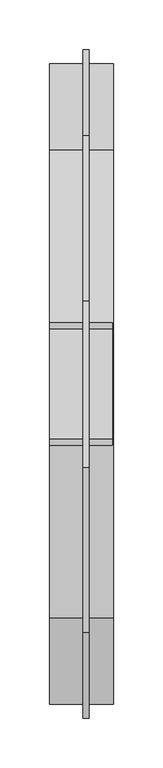
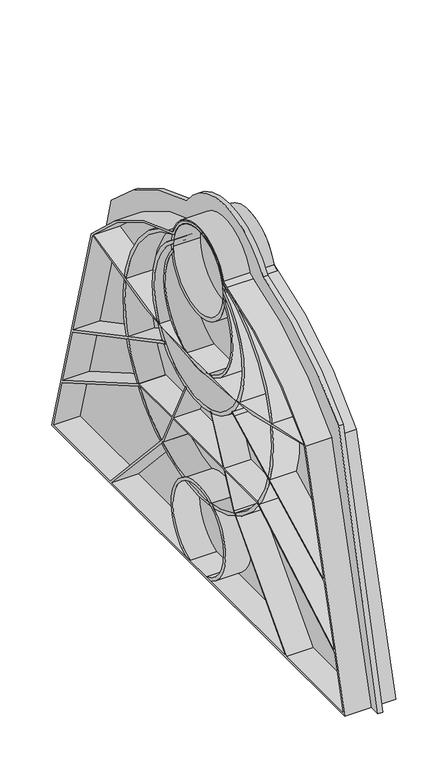
"""IFC4 building model written with IfcOpenShell, lengths in millimetres: proxy geometry."""

import ifcopenshell
import ifcopenshell.guid

model = None  # the IFC model being written
_history = None  # IfcOwnerHistory: only IFC2X3 demands one
_inside = {}  # id of a spatial element -> (the spatial element, [elements in it])
_under = {}  # id of a project, library or spatial element -> (it, [spatial elements below it])
_declared = {}  # id of a project -> (the project, [libraries it declares])
_typed = {}  # id of a type object -> (the type object, [elements of that type])
_made_of = {}  # id of a material, layer set ... -> (it, [elements and type objects made of it])


def new_model(schema):
    """Start an empty IFC model of exactly this schema.

    Asked for "IFC4X3", IfcOpenShell would pick the latest addendum, in which some entities
    have other attributes; the version numbers below select the first issue.
    IFC2X3 requires an IfcOwnerHistory on every rooted entity: one is made here for all.
    """
    global model, _history
    if schema == "IFC4X3":
        model = ifcopenshell.file(schema_version=(4, 3, 0, 0))
    else:
        model = ifcopenshell.file(schema=schema)
    _inside.clear()
    _under.clear()
    _declared.clear()
    _typed.clear()
    _made_of.clear()
    _history = None
    if model.schema == "IFC2X3":
        org = make("IfcOrganization", Name="unknown")
        user = make(
            "IfcPersonAndOrganization",
            ThePerson=make("IfcPerson", FamilyName="unknown"),
            TheOrganization=org,
        )
        app = make(
            "IfcApplication",
            ApplicationDeveloper=org,
            Version="unknown",
            ApplicationFullName="unknown",
            ApplicationIdentifier="unknown",
        )
        _history = make(
            "IfcOwnerHistory",
            OwningUser=user,
            OwningApplication=app,
            ChangeAction="ADDED",
            CreationDate=0,
        )
    return model


def make(cls, **values):
    """One entity of the class cls with the attributes given. An attribute that is None is left unset."""
    return model.create_entity(
        cls, **{name: value for name, value in values.items() if value is not None}
    )


def rooted(cls, **values):
    """An entity with a GlobalId (a new one), such as an element, a storey or a relation."""
    return make(cls, GlobalId=ifcopenshell.guid.new(), OwnerHistory=_history, **values)


def si_unit(unit_type, name, prefix=None):
    """IfcSIUnit, for example si_unit("LENGTHUNIT", "METRE", prefix="MILLI")."""
    return make("IfcSIUnit", UnitType=unit_type, Prefix=prefix, Name=name)


def assignment(units):
    """IfcUnitAssignment: the units of a project."""
    return None if units is None else make("IfcUnitAssignment", Units=units)


def point(xyz):
    """IfcCartesianPoint."""
    return None if xyz is None else make("IfcCartesianPoint", Coordinates=xyz)


def direction(xyz):
    """IfcDirection."""
    return None if xyz is None else make("IfcDirection", DirectionRatios=xyz)


def frame(location, z_axis=None, x_axis=None):
    """IfcAxis2Placement3D, a coordinate frame: its origin and axes. An axis left out is left unset."""
    return make(
        "IfcAxis2Placement3D",
        Location=point(location),
        Axis=direction(z_axis),
        RefDirection=direction(x_axis),
    )


def frame_2d(location, x_axis=None):
    """IfcAxis2Placement2D, a coordinate frame in the plane: its origin and x axis."""
    return make(
        "IfcAxis2Placement2D", Location=point(location), RefDirection=direction(x_axis)
    )


def origin():
    """The frame at (0, 0, 0) with its axes left unset."""
    return frame((0.0, 0.0, 0.0))


def place(relative_to, where):
    """IfcLocalPlacement: puts the frame where relative to a parent placement (None: the world)."""
    return make(
        "IfcLocalPlacement", PlacementRelTo=relative_to, RelativePlacement=where
    )


def context(
    kind, dimensions, precision=None, world=None, true_north=None, identifier=None
):
    """IfcGeometricRepresentationContext, for example the 3D "Model" context."""
    return make(
        "IfcGeometricRepresentationContext",
        ContextIdentifier=identifier,
        ContextType=kind,
        CoordinateSpaceDimension=dimensions,
        Precision=precision,
        WorldCoordinateSystem=world,
        TrueNorth=true_north,
    )


def project(units=None, contexts=None):
    """IfcProject with its units and contexts."""
    return rooted(
        "IfcProject",
        Name="project",
        RepresentationContexts=contexts,
        UnitsInContext=assignment(units),
    )


def spatial(cls, under=None, at=None, **own):
    """A site, building, storey or space (cls), placed at a placement, below another one or the project."""
    s = rooted(cls, ObjectPlacement=at, **own)
    if under is not None:
        _under.setdefault(under.id(), (under, []))[1].append(s)
    return s


def polyline(points):
    """IfcPolyline through the points."""
    return make("IfcPolyline", Points=[point(p) for p in points])


def circle_curve(where, radius):
    """IfcCircle in the frame where."""
    return make("IfcCircle", Position=where, Radius=radius)


def trimmed(basis, trim1, trim2, sense, master):
    """IfcTrimmedCurve: the piece of a basis curve between two trims."""
    return make(
        "IfcTrimmedCurve",
        BasisCurve=basis,
        Trim1=trim1,
        Trim2=trim2,
        SenseAgreement=sense,
        MasterRepresentation=master,
    )


def segment(curve, same_sense, transition):
    """IfcCompositeCurveSegment."""
    return make(
        "IfcCompositeCurveSegment",
        Transition=transition,
        SameSense=same_sense,
        ParentCurve=curve,
    )


def composite_curve(segments, self_intersect=None):
    """IfcCompositeCurve: segments joined end to end."""
    return make("IfcCompositeCurve", Segments=segments, SelfIntersect=self_intersect)


def outline(outer, holes=None, kind="AREA"):
    """IfcArbitraryClosedProfileDef: a profile drawn as a closed curve; with holes, ...WithVoids."""
    if holes is None:
        return make("IfcArbitraryClosedProfileDef", ProfileType=kind, OuterCurve=outer)
    return make(
        "IfcArbitraryProfileDefWithVoids",
        ProfileType=kind,
        OuterCurve=outer,
        InnerCurves=holes,
    )


def extrude(swept, where, along, depth):
    """IfcExtrudedAreaSolid: the profile swept, set in the frame where, extruded along a direction by depth."""
    return make(
        "IfcExtrudedAreaSolid",
        SweptArea=swept,
        Position=where,
        ExtrudedDirection=direction(along),
        Depth=depth,
    )


def shape(context_of_items, identifier, shape_type, items):
    """IfcShapeRepresentation: the items that make up one representation, for example the "Body"."""
    return make(
        "IfcShapeRepresentation",
        ContextOfItems=context_of_items,
        RepresentationIdentifier=identifier,
        RepresentationType=shape_type,
        Items=items,
    )


def source(mapping_origin, context_of_items, identifier, shape_type, items):
    """IfcRepresentationMap: a shape defined once, which mapped items show again and again."""
    return make(
        "IfcRepresentationMap",
        MappingOrigin=mapping_origin,
        MappedRepresentation=shape(context_of_items, identifier, shape_type, items),
    )


def transform(
    local_origin,
    x_axis=None,
    y_axis=None,
    z_axis=None,
    scale=None,
    scale2=None,
    scale3=None,
    uniform=True,
):
    """IfcCartesianTransformationOperator3D, or its non-uniform kind. x_axis, y_axis, z_axis: its Axis1, 2, 3."""
    if uniform:
        return make(
            "IfcCartesianTransformationOperator3D",
            Axis1=direction(x_axis),
            Axis2=direction(y_axis),
            LocalOrigin=point(local_origin),
            Scale=scale,
            Axis3=direction(z_axis),
        )
    return make(
        "IfcCartesianTransformationOperator3DnonUniform",
        Axis1=direction(x_axis),
        Axis2=direction(y_axis),
        LocalOrigin=point(local_origin),
        Scale=scale,
        Axis3=direction(z_axis),
        Scale2=scale2,
        Scale3=scale3,
    )


def mapped(mapping_source, mapping_target):
    """IfcMappedItem: shows the shape of a source again, moved by a transform."""
    return make(
        "IfcMappedItem", MappingSource=mapping_source, MappingTarget=mapping_target
    )


def made_of(thing, what):
    """Note that an element or type object is made of a material, layer set ...; save() writes the relation."""
    if what is not None:
        _made_of.setdefault(what.id(), (what, []))[1].append(thing)
    return thing


def element(
    cls,
    number,
    at=None,
    inside=None,
    cuts=None,
    type_object=None,
    material=None,
    context=None,
    identifier="Body",
    shape_type=None,
    held_by="IfcProductDefinitionShape",
    body=None,
    shapes=None,
    **own,
):
    """One element of the class cls, such as IfcWall. Its Tag is "e" and its number.

    at: its placement. inside: the storey or other place that contains it. cuts: it is an
    opening in that element (IfcRelVoidsElement). A single representation is given by context,
    identifier, shape_type and body (its items); several are given by shapes. held_by: the class
    of the entity that holds the representations. save() writes the other relations.
    """
    e = rooted(cls, Tag="e%d" % number, ObjectPlacement=at, **own)
    if body is not None:
        shapes = [shape(context, identifier, shape_type, body)]
    if shapes is not None:
        e.Representation = make(held_by, Representations=shapes)
    if inside is not None:
        _inside.setdefault(inside.id(), (inside, []))[1].append(e)
    if cuts is not None:
        rooted(
            "IfcRelVoidsElement", RelatingBuildingElement=cuts, RelatedOpeningElement=e
        )
    if type_object is not None:
        _typed.setdefault(type_object.id(), (type_object, []))[1].append(e)
    return made_of(e, material)


def aggregate(whole, parts):
    """IfcRelAggregates: a whole, such as a stair, and the parts it consists of."""
    return rooted("IfcRelAggregates", RelatingObject=whole, RelatedObjects=parts)


def save(model, path):
    """Write the relations noted so far, then the file.

    IfcRelAggregates (storeys below a building ...), IfcRelContainedInSpatialStructure (elements
    in a storey), IfcRelDefinesByType, IfcRelAssociatesMaterial and IfcRelDeclares: one each for
    every whole, place, type object, material and project.
    """
    for whole, parts in _under.values():
        aggregate(whole, parts)
    for where, things in _inside.values():
        rooted(
            "IfcRelContainedInSpatialStructure",
            RelatedElements=things,
            RelatingStructure=where,
        )
    for kind, things in _typed.values():
        rooted("IfcRelDefinesByType", RelatedObjects=things, RelatingType=kind)
    for what, things in _made_of.values():
        rooted("IfcRelAssociatesMaterial", RelatedObjects=things, RelatingMaterial=what)
    for by, libraries in _declared.values():
        rooted("IfcRelDeclares", RelatingContext=by, RelatedDefinitions=libraries)
    model.write(path)


def specialty_equipment_cb8f3c15(model_context):
    return source(origin(), model_context, "Body", "SweptSolid", [
        extrude(outline(composite_curve([segment(trimmed(circle_curve(frame_2d((-5.344615, 97.6299661)), 349.0), [point((84.0, 435.0))], [point((250.5, 335.0))], False, "CARTESIAN"), True, "CONTINUOUS"), segment(polyline([(250.5, 335.0), (337.5, 0.0), (-337.5, 0.0), (-250.5, 335.0)]), True, "CONTINUOUS"), segment(trimmed(circle_curve(frame_2d((5.344615, 97.6299661)), 349.0), [point((-250.5, 335.0))], [point((-84.0, 435.0))], False, "CARTESIAN"), True, "CONTINUOUS"), segment(trimmed(circle_curve(frame_2d((0.0, 379.1)), 100.9), [point((-84.0, 435.0))], [point((84.0, 435.0))], False, "CARTESIAN"), True, "CONTINUOUS")], self_intersect=False)), frame((-1123.5, 0.0, 0.0), z_axis=(1.0, 0.0, 0.0), x_axis=(0.0, 1.0, 0.0)), (0.0, 0.0, 1.0), 6.0),
        extrude(outline(composite_curve([segment(trimmed(circle_curve(frame_2d((0.0, 56.0)), 60.0), [point((-28.1247222, 3.0))], [point((28.1247222, 3.0))], False, "CARTESIAN"), True, "CONTINUOUS"), segment(polyline([(28.1247222, 3.0), (18.0831413, 3.0)]), True, "CONTINUOUS"), segment(trimmed(circle_curve(frame_2d((0.0, 56.0)), 56.0), [point((18.0831413, 3.0))], [point((-18.0831413, 3.0))], True, "CARTESIAN"), True, "CONTINUOUS"), segment(polyline([(-18.0831413, 3.0), (-28.1247222, 3.0)]), True, "CONTINUOUS")], self_intersect=False)), frame((-1157.5, 0.0, 0.0), z_axis=(1.0, 0.0, 0.0), x_axis=(0.0, 1.0, 0.0)), (0.0, 0.0, 1.0), 64.0),
        extrude(outline(composite_curve([segment(polyline([(235.8884077, 310.8106176), (323.1159036, 0.0), (-323.1159036, 0.0), (-235.8884077, 310.8106176)]), True, "CONTINUOUS"), segment(trimmed(circle_curve(frame_2d((30.3404808, 80.9742565)), 351.7137671), [point((-235.8884077, 310.8106176))], [point((-54.9415664, 422.1919969))], False, "CARTESIAN"), True, "CONTINUOUS"), segment(trimmed(circle_curve(frame_2d((0.0, 403.6064037)), 58.0), [point((-54.9415664, 422.1919969))], [point((54.9415664, 422.1919969))], False, "CARTESIAN"), True, "CONTINUOUS"), segment(trimmed(circle_curve(frame_2d((-30.3404808, 80.9742565)), 351.7137671), [point((54.9415664, 422.1919969))], [point((235.8884077, 310.8106176))], False, "CARTESIAN"), True, "CONTINUOUS")], self_intersect=False), holes=[polyline([(-129.1961524, 170.0), (-299.9591459, 71.4099397), (-319.1580645, 3.0), (-194.7510065, 3.0), (-79.3096373, 128.9821475), (-59.081871, 170.0), (-129.1961524, 170.0)]), polyline([(76.8084508, 127.2711519), (55.7369148, 170.0), (-55.7369148, 170.0), (-76.8084508, 127.2711519), (-190.6819814, 3.0), (190.6819814, 3.0), (76.8084508, 127.2711519)]), composite_curve([segment(trimmed(circle_curve(frame_2d((0.0, 403.6064037)), 55.0), [point((52.5, 420.0))], [point((-52.5, 420.0))], True, "CARTESIAN"), True, "CONTINUOUS"), segment(trimmed(circle_curve(frame_2d((30.3404808, 80.9742565)), 349.0), [point((-52.5, 420.0))], [point((-232.0990006, 311.0318984))], True, "CARTESIAN"), True, "CONTINUOUS"), segment(trimmed(circle_curve(frame_2d((-2.0407686, 1024.8758659)), 750.0), [point((-232.0990006, 311.0318984))], [point((231.1917767, 312.0627208))], True, "CARTESIAN"), True, "CONTINUOUS"), segment(trimmed(circle_curve(frame_2d((-30.3404808, 80.9742565)), 349.0), [point((231.1917767, 312.0627208))], [point((52.5, 420.0))], True, "CARTESIAN"), True, "CONTINUOUS")], self_intersect=False), composite_curve([segment(polyline([(276.9613418, 153.3561385), (84.0119951, 255.5350623), (73.2014593, 260.7575179), (75.3060296, 263.0725452), (85.3669331, 258.2122291), (275.842331, 157.3434182), (233.0, 310.0)]), True, "CONTINUOUS"), segment(trimmed(circle_curve(frame_2d((0.0, 1007.0910988)), 735.0), [point((233.0, 310.0))], [point((-233.0, 310.0))], False, "CARTESIAN"), True, "CONTINUOUS"), segment(polyline([(-233.0, 310.0), (-275.8629263, 157.2700328), (-80.3322109, 257.4590512), (-74.5436392, 260.1789251), (-72.7170734, 257.7225089), (-79.0099007, 254.7657006), (-276.9678399, 153.3329842), (-298.7989803, 75.5438633), (-130.0, 173.0), (-57.6024347, 173.0), (-29.0, 231.0)]), True, "CONTINUOUS"), segment(trimmed(circle_curve(frame_2d((0.0, 403.6064037)), 175.0256284), [point((-29.0, 231.0))], [point((-25.8979683, 230.5073978))], True, "CARTESIAN"), True, "CONTINUOUS"), segment(polyline([(-25.8979683, 230.5073978), (-54.2574786, 173.0), (54.2574786, 173.0), (25.8979683, 230.5073978)]), True, "CONTINUOUS"), segment(trimmed(circle_curve(frame_2d((0.0, 403.6064037)), 175.0256284), [point((25.8979683, 230.5073978))], [point((29.0, 231.0))], True, "CARTESIAN"), True, "CONTINUOUS"), segment(polyline([(29.0, 231.0), (57.6024347, 173.0), (130.0, 173.0), (298.7989803, 75.5438633), (276.9613418, 153.3561385)]), True, "CONTINUOUS")], self_intersect=False), polyline([(299.9591459, 71.4099397), (129.1961524, 170.0), (59.081871, 170.0), (79.3096373, 128.9821475), (194.7510065, 3.0), (319.1580645, 3.0), (299.9591459, 71.4099397)])]), frame((-1157.5, 0.0, 0.0), z_axis=(1.0, 0.0, 0.0), x_axis=(0.0, 1.0, 0.0)), (0.0, 0.0, 1.0), 65.0),
        extrude(outline(composite_curve([segment(trimmed(circle_curve(frame_2d((0.0, 267.0)), 166.0), [point((50.7682308, 425.0461538))], [point((-50.7682308, 425.0461538))], False, "CARTESIAN"), True, "CONTINUOUS"), segment(trimmed(circle_curve(frame_2d((0.0, 397.0)), 58.0), [point((-50.7682308, 425.0461538))], [point((-53.244718, 420.0))], True, "CARTESIAN"), True, "CONTINUOUS"), segment(trimmed(circle_curve(frame_2d((0.0, 267.0)), 162.0), [point((-53.244718, 420.0))], [point((53.244718, 420.0))], True, "CARTESIAN"), True, "CONTINUOUS"), segment(trimmed(circle_curve(frame_2d((0.0, 397.0)), 58.0), [point((53.244718, 420.0))], [point((50.7682308, 425.0461538))], True, "CARTESIAN"), True, "CONTINUOUS")], self_intersect=False)), frame((-1157.5, 0.0, 0.0), z_axis=(1.0, 0.0, 0.0), x_axis=(0.0, 1.0, 0.0)), (0.0, 0.0, 1.0), 64.0),
        extrude(outline(composite_curve([segment(trimmed(circle_curve(frame_2d((0.0, 327.0)), 101.6), [point((53.5653536, 413.3325714))], [point((-53.5653536, 413.3325714))], False, "CARTESIAN"), True, "CONTINUOUS"), segment(trimmed(circle_curve(frame_2d((0.0, 397.0)), 56.0), [point((-53.5653536, 413.3325714))], [point((-55.1345622, 406.8071429))], True, "CARTESIAN"), True, "CONTINUOUS"), segment(trimmed(circle_curve(frame_2d((0.0, 327.0)), 97.0), [point((-55.1345622, 406.8071429))], [point((55.1345622, 406.8071429))], True, "CARTESIAN"), True, "CONTINUOUS"), segment(trimmed(circle_curve(frame_2d((0.0, 397.0)), 56.0), [point((55.1345622, 406.8071429))], [point((53.5653536, 413.3325714))], True, "CARTESIAN"), True, "CONTINUOUS")], self_intersect=False)), frame((-1157.5, 0.0, 0.0), z_axis=(1.0, 0.0, 0.0), x_axis=(0.0, 1.0, 0.0)), (0.0, 0.0, 1.0), 64.0),
        extrude(outline(composite_curve([segment(trimmed(circle_curve(frame_2d((0.0, 348.0)), 76.2), [point((54.8628268, 400.8820408))], [point((-54.8628268, 400.8820408))], False, "CARTESIAN"), True, "CONTINUOUS"), segment(trimmed(circle_curve(frame_2d((0.0, 397.0)), 55.0), [point((-54.8628268, 400.8820408))], [point((-54.991093, 396.0102041))], True, "CARTESIAN"), True, "CONTINUOUS"), segment(trimmed(circle_curve(frame_2d((0.0, 348.0)), 73.0), [point((-54.991093, 396.0102041))], [point((54.991093, 396.0102041))], True, "CARTESIAN"), True, "CONTINUOUS"), segment(trimmed(circle_curve(frame_2d((0.0, 397.0)), 55.0), [point((54.991093, 396.0102041))], [point((54.8628268, 400.8820408))], True, "CARTESIAN"), True, "CONTINUOUS")], self_intersect=False)), frame((-1157.5, 0.0, 0.0), z_axis=(1.0, 0.0, 0.0), x_axis=(0.0, 1.0, 0.0)), (0.0, 0.0, 1.0), 64.0),
        extrude(outline(composite_curve([segment(trimmed(circle_curve(frame_2d((0.0, 404.0)), 59.3), [point((59.3, 404.0))], [point((-59.3, 404.0))], False, "CARTESIAN"), True, "CONTINUOUS"), segment(trimmed(circle_curve(frame_2d((0.0, 404.0)), 59.3), [point((-59.3, 404.0))], [point((59.3, 404.0))], False, "CARTESIAN"), True, "CONTINUOUS")], self_intersect=False), holes=[composite_curve([segment(trimmed(circle_curve(frame_2d((0.0, 404.0)), 54.0), [point((54.0, 404.0))], [point((-54.0, 404.0))], True, "CARTESIAN"), True, "CONTINUOUS"), segment(trimmed(circle_curve(frame_2d((0.0, 404.0)), 54.0), [point((-54.0, 404.0))], [point((54.0, 404.0))], True, "CARTESIAN"), True, "CONTINUOUS")], self_intersect=False)]), frame((-1157.5, 0.0, 0.0), z_axis=(1.0, 0.0, 0.0), x_axis=(0.0, 1.0, 0.0)), (0.0, 0.0, 1.0), 64.0),
    ])


if __name__ == "__main__":
    model = new_model("IFC4")
    model_context = context("Model", 3, world=origin())
    ifc_project = project(units=[si_unit("LENGTHUNIT", "METRE", prefix="MILLI")], contexts=[model_context])
    site = spatial("IfcSite", under=ifc_project)
    building = spatial("IfcBuilding", under=site)
    placement = place(None, origin())
    specialty_equipment_shape = specialty_equipment_cb8f3c15(model_context)
    element("IfcBuildingElementProxy", 1, Name="Specialty Equipment", at=placement, inside=building, context=model_context, shape_type="MappedRepresentation", body=[
        mapped(specialty_equipment_shape, transform((0.0, 0.0, 0.0), x_axis=(1.0, 0.0, 0.0), y_axis=(0.0, 1.0, 0.0), z_axis=(0.0, 0.0, 1.0))),
    ])
    save(model, "model.ifc")
